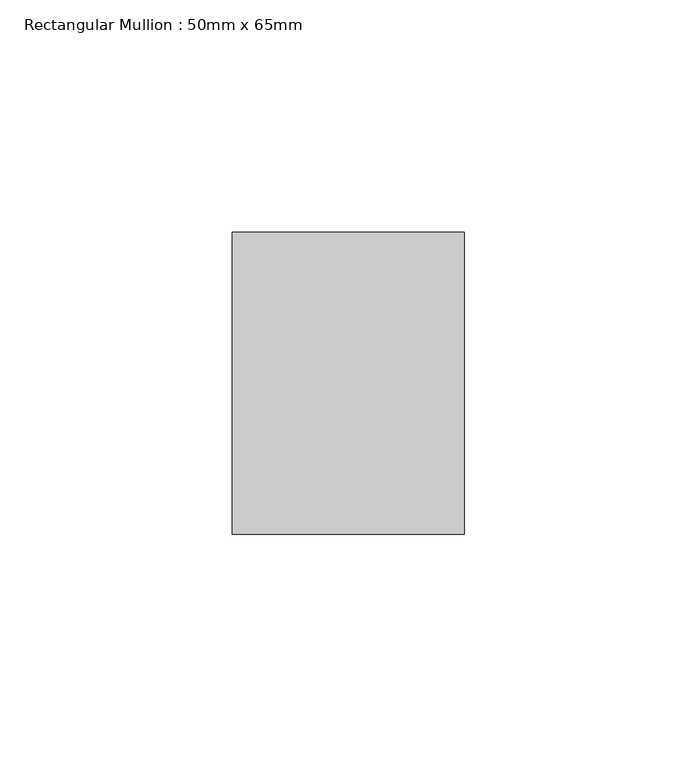
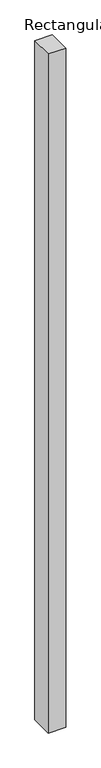
"""IFC4 building model written with IfcOpenShell, lengths in millimetres: member geometry, Rectangular Mullion : 50mm x 65mm."""

import ifcopenshell
import ifcopenshell.guid

model = None  # the IFC model being written
_history = None  # IfcOwnerHistory: only IFC2X3 demands one
_inside = {}  # id of a spatial element -> (the spatial element, [elements in it])
_under = {}  # id of a project, library or spatial element -> (it, [spatial elements below it])
_declared = {}  # id of a project -> (the project, [libraries it declares])
_typed = {}  # id of a type object -> (the type object, [elements of that type])
_made_of = {}  # id of a material, layer set ... -> (it, [elements and type objects made of it])


def new_model(schema):
    """Start an empty IFC model of exactly this schema.

    Asked for "IFC4X3", IfcOpenShell would pick the latest addendum, in which some entities
    have other attributes; the version numbers below select the first issue.
    IFC2X3 requires an IfcOwnerHistory on every rooted entity: one is made here for all.
    """
    global model, _history
    if schema == "IFC4X3":
        model = ifcopenshell.file(schema_version=(4, 3, 0, 0))
    else:
        model = ifcopenshell.file(schema=schema)
    _inside.clear()
    _under.clear()
    _declared.clear()
    _typed.clear()
    _made_of.clear()
    _history = None
    if model.schema == "IFC2X3":
        org = make("IfcOrganization", Name="unknown")
        user = make(
            "IfcPersonAndOrganization",
            ThePerson=make("IfcPerson", FamilyName="unknown"),
            TheOrganization=org,
        )
        app = make(
            "IfcApplication",
            ApplicationDeveloper=org,
            Version="unknown",
            ApplicationFullName="unknown",
            ApplicationIdentifier="unknown",
        )
        _history = make(
            "IfcOwnerHistory",
            OwningUser=user,
            OwningApplication=app,
            ChangeAction="ADDED",
            CreationDate=0,
        )
    return model


def make(cls, **values):
    """One entity of the class cls with the attributes given. An attribute that is None is left unset."""
    return model.create_entity(
        cls, **{name: value for name, value in values.items() if value is not None}
    )


def rooted(cls, **values):
    """An entity with a GlobalId (a new one), such as an element, a storey or a relation."""
    return make(cls, GlobalId=ifcopenshell.guid.new(), OwnerHistory=_history, **values)


def si_unit(unit_type, name, prefix=None):
    """IfcSIUnit, for example si_unit("LENGTHUNIT", "METRE", prefix="MILLI")."""
    return make("IfcSIUnit", UnitType=unit_type, Prefix=prefix, Name=name)


def assignment(units):
    """IfcUnitAssignment: the units of a project."""
    return None if units is None else make("IfcUnitAssignment", Units=units)


def point(xyz):
    """IfcCartesianPoint."""
    return None if xyz is None else make("IfcCartesianPoint", Coordinates=xyz)


def direction(xyz):
    """IfcDirection."""
    return None if xyz is None else make("IfcDirection", DirectionRatios=xyz)


def frame(location, z_axis=None, x_axis=None):
    """IfcAxis2Placement3D, a coordinate frame: its origin and axes. An axis left out is left unset."""
    return make(
        "IfcAxis2Placement3D",
        Location=point(location),
        Axis=direction(z_axis),
        RefDirection=direction(x_axis),
    )


def origin():
    """The frame at (0, 0, 0) with its axes left unset."""
    return frame((0.0, 0.0, 0.0))


def place(relative_to, where):
    """IfcLocalPlacement: puts the frame where relative to a parent placement (None: the world)."""
    return make(
        "IfcLocalPlacement", PlacementRelTo=relative_to, RelativePlacement=where
    )


def context(
    kind, dimensions, precision=None, world=None, true_north=None, identifier=None
):
    """IfcGeometricRepresentationContext, for example the 3D "Model" context."""
    return make(
        "IfcGeometricRepresentationContext",
        ContextIdentifier=identifier,
        ContextType=kind,
        CoordinateSpaceDimension=dimensions,
        Precision=precision,
        WorldCoordinateSystem=world,
        TrueNorth=true_north,
    )


def project(units=None, contexts=None):
    """IfcProject with its units and contexts."""
    return rooted(
        "IfcProject",
        Name="project",
        RepresentationContexts=contexts,
        UnitsInContext=assignment(units),
    )


def spatial(cls, under=None, at=None, **own):
    """A site, building, storey or space (cls), placed at a placement, below another one or the project."""
    s = rooted(cls, ObjectPlacement=at, **own)
    if under is not None:
        _under.setdefault(under.id(), (under, []))[1].append(s)
    return s


def polyline(points):
    """IfcPolyline through the points."""
    return make("IfcPolyline", Points=[point(p) for p in points])


def outline(outer, holes=None, kind="AREA"):
    """IfcArbitraryClosedProfileDef: a profile drawn as a closed curve; with holes, ...WithVoids."""
    if holes is None:
        return make("IfcArbitraryClosedProfileDef", ProfileType=kind, OuterCurve=outer)
    return make(
        "IfcArbitraryProfileDefWithVoids",
        ProfileType=kind,
        OuterCurve=outer,
        InnerCurves=holes,
    )


def extrude(swept, where, along, depth):
    """IfcExtrudedAreaSolid: the profile swept, set in the frame where, extruded along a direction by depth."""
    return make(
        "IfcExtrudedAreaSolid",
        SweptArea=swept,
        Position=where,
        ExtrudedDirection=direction(along),
        Depth=depth,
    )


def shape(context_of_items, identifier, shape_type, items):
    """IfcShapeRepresentation: the items that make up one representation, for example the "Body"."""
    return make(
        "IfcShapeRepresentation",
        ContextOfItems=context_of_items,
        RepresentationIdentifier=identifier,
        RepresentationType=shape_type,
        Items=items,
    )


def source(mapping_origin, context_of_items, identifier, shape_type, items):
    """IfcRepresentationMap: a shape defined once, which mapped items show again and again."""
    return make(
        "IfcRepresentationMap",
        MappingOrigin=mapping_origin,
        MappedRepresentation=shape(context_of_items, identifier, shape_type, items),
    )


def transform(
    local_origin,
    x_axis=None,
    y_axis=None,
    z_axis=None,
    scale=None,
    scale2=None,
    scale3=None,
    uniform=True,
):
    """IfcCartesianTransformationOperator3D, or its non-uniform kind. x_axis, y_axis, z_axis: its Axis1, 2, 3."""
    if uniform:
        return make(
            "IfcCartesianTransformationOperator3D",
            Axis1=direction(x_axis),
            Axis2=direction(y_axis),
            LocalOrigin=point(local_origin),
            Scale=scale,
            Axis3=direction(z_axis),
        )
    return make(
        "IfcCartesianTransformationOperator3DnonUniform",
        Axis1=direction(x_axis),
        Axis2=direction(y_axis),
        LocalOrigin=point(local_origin),
        Scale=scale,
        Axis3=direction(z_axis),
        Scale2=scale2,
        Scale3=scale3,
    )


def mapped(mapping_source, mapping_target):
    """IfcMappedItem: shows the shape of a source again, moved by a transform."""
    return make(
        "IfcMappedItem", MappingSource=mapping_source, MappingTarget=mapping_target
    )


def made_of(thing, what):
    """Note that an element or type object is made of a material, layer set ...; save() writes the relation."""
    if what is not None:
        _made_of.setdefault(what.id(), (what, []))[1].append(thing)
    return thing


def element(
    cls,
    number,
    at=None,
    inside=None,
    cuts=None,
    type_object=None,
    material=None,
    context=None,
    identifier="Body",
    shape_type=None,
    held_by="IfcProductDefinitionShape",
    body=None,
    shapes=None,
    **own,
):
    """One element of the class cls, such as IfcWall. Its Tag is "e" and its number.

    at: its placement. inside: the storey or other place that contains it. cuts: it is an
    opening in that element (IfcRelVoidsElement). A single representation is given by context,
    identifier, shape_type and body (its items); several are given by shapes. held_by: the class
    of the entity that holds the representations. save() writes the other relations.
    """
    e = rooted(cls, Tag="e%d" % number, ObjectPlacement=at, **own)
    if body is not None:
        shapes = [shape(context, identifier, shape_type, body)]
    if shapes is not None:
        e.Representation = make(held_by, Representations=shapes)
    if inside is not None:
        _inside.setdefault(inside.id(), (inside, []))[1].append(e)
    if cuts is not None:
        rooted(
            "IfcRelVoidsElement", RelatingBuildingElement=cuts, RelatedOpeningElement=e
        )
    if type_object is not None:
        _typed.setdefault(type_object.id(), (type_object, []))[1].append(e)
    return made_of(e, material)


def aggregate(whole, parts):
    """IfcRelAggregates: a whole, such as a stair, and the parts it consists of."""
    return rooted("IfcRelAggregates", RelatingObject=whole, RelatedObjects=parts)


def save(model, path):
    """Write the relations noted so far, then the file.

    IfcRelAggregates (storeys below a building ...), IfcRelContainedInSpatialStructure (elements
    in a storey), IfcRelDefinesByType, IfcRelAssociatesMaterial and IfcRelDeclares: one each for
    every whole, place, type object, material and project.
    """
    for whole, parts in _under.values():
        aggregate(whole, parts)
    for where, things in _inside.values():
        rooted(
            "IfcRelContainedInSpatialStructure",
            RelatedElements=things,
            RelatingStructure=where,
        )
    for kind, things in _typed.values():
        rooted("IfcRelDefinesByType", RelatedObjects=things, RelatingType=kind)
    for what, things in _made_of.values():
        rooted("IfcRelAssociatesMaterial", RelatedObjects=things, RelatingMaterial=what)
    for by, libraries in _declared.values():
        rooted("IfcRelDeclares", RelatingContext=by, RelatedDefinitions=libraries)
    model.write(path)


def rectangular_mullion_50mm_x_65mm_121c8f71(model_context):
    return source(origin(), model_context, "Body", "SweptSolid", [
        extrude(outline(polyline([(25.0, 32.5), (25.0, -32.5), (-25.0, -32.5), (-25.0, 32.5), (25.0, 32.5)])), frame((0.0, 0.0, -2042.0388332), z_axis=(0.0, 0.0, 1.0), x_axis=(1.0, 0.0, 0.0)), (0.0, 0.0, 1.0), 2042.0388332),
    ])


if __name__ == "__main__":
    model = new_model("IFC4")
    model_context = context("Model", 3, world=origin())
    ifc_project = project(units=[si_unit("LENGTHUNIT", "METRE", prefix="MILLI")], contexts=[model_context])
    site = spatial("IfcSite", under=ifc_project)
    building = spatial("IfcBuilding", under=site)
    placement = place(None, origin())
    rectangular_mullion_50mm_x_65mm_shape = rectangular_mullion_50mm_x_65mm_121c8f71(model_context)
    element("IfcMember", 1, ObjectType="Rectangular Mullion : 50mm x 65mm", at=placement, inside=building, context=model_context, shape_type="MappedRepresentation", body=[
        mapped(rectangular_mullion_50mm_x_65mm_shape, transform((0.0, 0.0, 0.0), x_axis=(1.0, 0.0, 0.0), y_axis=(0.0, 1.0, 0.0), z_axis=(0.0, 0.0, 1.0))),
    ])
    save(model, "model.ifc")
